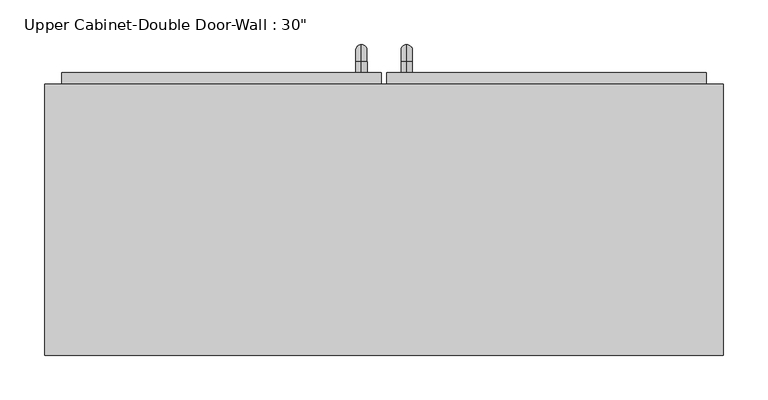
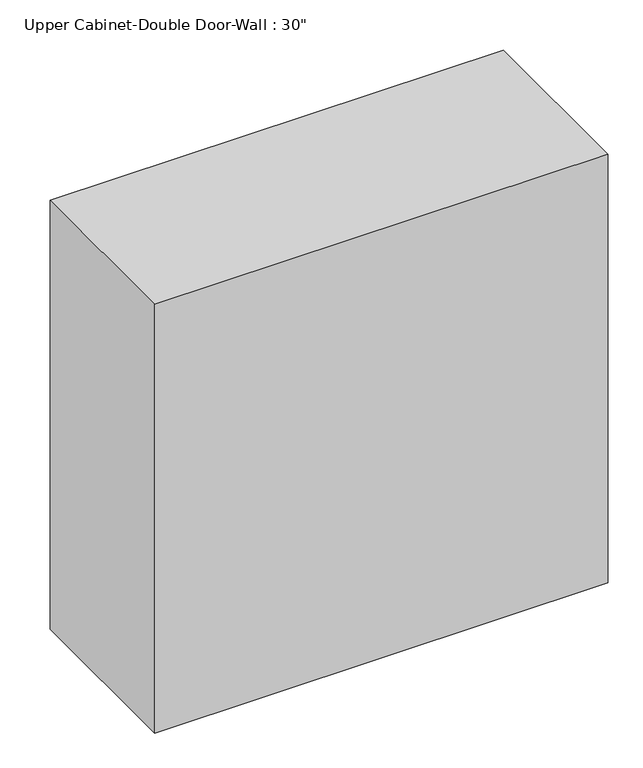
"""IFC4 building model written with IfcOpenShell, lengths in millimetres: furniture geometry."""

from ifc_helpers import new_model, si_unit, point, frame, origin, place, context, project, spatial, polyline, circle_curve, ellipse_curve, trimmed, outline, extrude, faceted_brep, source, transform, mapped, element, save
from ifc_brep_helpers import plane_surface, cylinder_surface, revolved_surface, advanced_brep


def furniture_e3b434a1(model_context):
    return source(origin(), model_context, "Body", "SolidModel", [
        faceted_brep([(-351.2288372, 101.6, 2133.6), (-351.2288372, 101.6, 1371.6), (410.7711628, 101.6, 1371.6), (410.7711628, 101.6, 2133.6), (-351.2288372, 406.4, 2133.6), (410.7711628, 406.4, 2133.6), (410.7711628, 406.4, 1371.6), (-351.2288372, 406.4, 1371.6), (-332.1788372, 406.4, 2114.55), (-332.1788372, 406.4, 1390.65), (391.7211628, 406.4, 1390.65), (391.7211628, 406.4, 2114.55), (391.7211628, 120.65, 2114.55), (-332.1788372, 120.65, 2114.55), (391.7211628, 120.65, 1390.65), (-332.1788372, 120.65, 1390.65)], [[[0, 1, 2, 3]], [[4, 5, 6, 7], [8, 9, 10, 11]], [[1, 0, 4, 7]], [[2, 1, 7, 6]], [[3, 2, 6, 5]], [[0, 3, 5, 4]], [[8, 11, 12, 13]], [[11, 10, 14, 12]], [[10, 9, 15, 14]], [[9, 8, 13, 15]], [[13, 12, 14, 15]]]),
        advanced_brep(
        [(55.1711628, 419.1, 1517.65), (55.1711628, 419.1, 1530.35), (55.1711628, 431.8, 1517.65), (55.1711628, 431.8, 1530.35), (55.1711628, 450.85, 1511.3), (55.1711628, 438.15, 1511.3), (55.1711628, 438.15, 1435.1), (55.1711628, 450.85, 1435.1), (55.1711628, 431.8, 1416.05), (55.1711628, 431.8, 1428.75), (55.1711628, 419.1, 1428.75), (55.1711628, 419.1, 1416.05)],
        [
            (0, 1, circle_curve(frame((55.1711628, 419.1, 1524.0), z_axis=(0.0, -1.0, 0.0), x_axis=(0.0, 0.0, -1.0)), 6.35)),
            (1, 0, circle_curve(frame((55.1711628, 419.1, 1524.0), z_axis=(0.0, -1.0, 0.0), x_axis=(0.0, 0.0, -1.0)), 6.35)),
            (0, 2),
            (2, 3, circle_curve(frame((55.1711628, 431.8, 1524.0), z_axis=(0.0, -1.0, 0.0), x_axis=(0.0, 0.0, -1.0)), 6.35)),
            (3, 1),
            (3, 2, circle_curve(frame((55.1711628, 431.8, 1524.0), z_axis=(0.0, -1.0, 0.0), x_axis=(0.0, 0.0, -1.0)), 6.35)),
            (4, 3, circle_curve(frame((55.1711628, 431.8, 1511.3), z_axis=(1.0, 0.0, 0.0), x_axis=(0.0, 0.0, 1.0)), 19.05)),
            (2, 5, circle_curve(frame((55.1711628, 431.8, 1511.3), z_axis=(-1.0, 0.0, 0.0), x_axis=(0.0, 0.0, 1.0)), 6.35)),
            (5, 4, circle_curve(frame((55.1711628, 444.5, 1511.3), z_axis=(0.0, 0.0, 1.0), x_axis=(0.0, -1.0, 0.0)), 6.35)),
            (4, 5, circle_curve(frame((55.1711628, 444.5, 1511.3), z_axis=(0.0, 0.0, 1.0), x_axis=(0.0, -1.0, 0.0)), 6.35)),
            (5, 6),
            (6, 7, circle_curve(frame((55.1711628, 444.5, 1435.1), z_axis=(0.0, 0.0, 1.0), x_axis=(0.0, -1.0, 0.0)), 6.35)),
            (7, 4),
            (7, 6, circle_curve(frame((55.1711628, 444.5, 1435.1), z_axis=(0.0, 0.0, 1.0), x_axis=(0.0, -1.0, 0.0)), 6.35)),
            (8, 7, circle_curve(frame((55.1711628, 431.8, 1435.1), z_axis=(1.0, 0.0, 0.0), x_axis=(0.0, 1.0, 0.0)), 19.05)),
            (6, 9, circle_curve(frame((55.1711628, 431.8, 1435.1), z_axis=(-1.0, 0.0, 0.0), x_axis=(0.0, 1.0, 0.0)), 6.35)),
            (9, 8, circle_curve(frame((55.1711628, 431.8, 1422.4), z_axis=(0.0, 1.0, 0.0), x_axis=(0.0, 0.0, 1.0)), 6.35)),
            (8, 9, circle_curve(frame((55.1711628, 431.8, 1422.4), z_axis=(0.0, 1.0, 0.0), x_axis=(0.0, 0.0, 1.0)), 6.35)),
            (10, 11, circle_curve(frame((55.1711628, 419.1, 1422.4), z_axis=(0.0, -1.0, 0.0), x_axis=(0.0, 0.0, 1.0)), 6.35)),
            (11, 10, circle_curve(frame((55.1711628, 419.1, 1422.4), z_axis=(0.0, -1.0, 0.0), x_axis=(0.0, 0.0, 1.0)), 6.35)),
            (9, 10),
            (11, 8),
        ],
        [
            plane_surface(frame((48.8211628, 419.1, 1524.0), z_axis=(0.0, -1.0, 0.0), x_axis=(0.0, 0.0, 1.0))),
            cylinder_surface(frame((55.1711628, 419.1, 1524.0), z_axis=(0.0, -1.0, 0.0), x_axis=(0.0, 0.0, -1.0)), 6.35),
            revolved_surface(trimmed(ellipse_curve(frame((55.1711628, 431.8, 1524.0), z_axis=(0.0, -1.0, 0.0), x_axis=(0.0, 0.0, -1.0)), 6.35, 6.35), [point((55.1711628, 431.8, 1517.65))], [point((55.1711628, 431.8, 1530.35))], True, "CARTESIAN"), (55.1711628, 431.8, 1511.3), (-1.0, 0.0, 0.0)),
            revolved_surface(trimmed(ellipse_curve(frame((55.1711628, 431.8, 1524.0), z_axis=(0.0, -1.0, 0.0), x_axis=(0.0, 0.0, -1.0)), 6.35, 6.35), [point((55.1711628, 431.8, 1530.35))], [point((55.1711628, 431.8, 1517.65))], True, "CARTESIAN"), (55.1711628, 431.8, 1511.3), (-1.0, 0.0, 0.0)),
            cylinder_surface(frame((55.1711628, 444.5, 1511.3), z_axis=(0.0, 0.0, 1.0), x_axis=(0.0, -1.0, 0.0)), 6.35),
            revolved_surface(trimmed(ellipse_curve(frame((55.1711628, 444.5, 1435.1), z_axis=(0.0, 0.0, 1.0), x_axis=(0.0, -1.0, 0.0)), 6.35, 6.35), [point((55.1711628, 438.15, 1435.1))], [point((55.1711628, 450.85, 1435.1))], True, "CARTESIAN"), (55.1711628, 431.8, 1435.1), (-1.0, 0.0, 0.0)),
            revolved_surface(trimmed(ellipse_curve(frame((55.1711628, 444.5, 1435.1), z_axis=(0.0, 0.0, 1.0), x_axis=(0.0, -1.0, 0.0)), 6.35, 6.35), [point((55.1711628, 450.85, 1435.1))], [point((55.1711628, 438.15, 1435.1))], True, "CARTESIAN"), (55.1711628, 431.8, 1435.1), (-1.0, 0.0, 0.0)),
            plane_surface(frame((48.8211628, 419.1, 1422.4), z_axis=(0.0, -1.0, 0.0), x_axis=(0.0, 0.0, -1.0))),
            cylinder_surface(frame((55.1711628, 431.8, 1422.4), z_axis=(0.0, 1.0, 0.0), x_axis=(0.0, 0.0, 1.0)), 6.35),
        ],
        [
            (0, [[1, 2]]),
            (1, [[-1, 3, 4, 5]]),
            (1, [[-2, -5, 6, -3]]),
            (2, [[7, -4, 8, 9]]),
            (3, [[-8, -6, -7, 10]]),
            (4, [[-9, 11, 12, 13]]),
            (4, [[-10, -13, 14, -11]]),
            (5, [[15, -12, 16, 17]]),
            (6, [[-16, -14, -15, 18]]),
            (7, [[19, 20]]),
            (8, [[-17, 21, -20, 22]]),
            (8, [[-18, -22, -19, -21]]),
        ],
    ),
        advanced_brep(
        [(4.3711628, 419.1, 1517.65), (4.3711628, 419.1, 1530.35), (4.3711628, 431.8, 1517.65), (4.3711628, 431.8, 1530.35), (4.3711628, 450.85, 1511.3), (4.3711628, 438.15, 1511.3), (4.3711628, 438.15, 1435.1), (4.3711628, 450.85, 1435.1), (4.3711628, 431.8, 1416.05), (4.3711628, 431.8, 1428.75), (4.3711628, 419.1, 1428.75), (4.3711628, 419.1, 1416.05)],
        [
            (0, 1, circle_curve(frame((4.3711628, 419.1, 1524.0), z_axis=(0.0, -1.0, 0.0), x_axis=(0.0, 0.0, 1.0)), 6.35)),
            (1, 0, circle_curve(frame((4.3711628, 419.1, 1524.0), z_axis=(0.0, -1.0, 0.0), x_axis=(0.0, 0.0, 1.0)), 6.35)),
            (0, 2),
            (2, 3, circle_curve(frame((4.3711628, 431.8, 1524.0), z_axis=(0.0, -1.0, 0.0), x_axis=(0.0, 0.0, 1.0)), 6.35)),
            (3, 1),
            (3, 2, circle_curve(frame((4.3711628, 431.8, 1524.0), z_axis=(0.0, -1.0, 0.0), x_axis=(0.0, 0.0, 1.0)), 6.35)),
            (4, 3, circle_curve(frame((4.3711628, 431.8, 1511.3), z_axis=(1.0, 0.0, 0.0), x_axis=(0.0, 0.0, 1.0)), 19.05)),
            (2, 5, circle_curve(frame((4.3711628, 431.8, 1511.3), z_axis=(-1.0, 0.0, 0.0), x_axis=(0.0, 0.0, 1.0)), 6.35)),
            (5, 4, circle_curve(frame((4.3711628, 444.5, 1511.3), z_axis=(0.0, 0.0, 1.0), x_axis=(0.0, 1.0, 0.0)), 6.35)),
            (4, 5, circle_curve(frame((4.3711628, 444.5, 1511.3), z_axis=(0.0, 0.0, 1.0), x_axis=(0.0, 1.0, 0.0)), 6.35)),
            (5, 6),
            (6, 7, circle_curve(frame((4.3711628, 444.5, 1435.1), z_axis=(0.0, 0.0, 1.0), x_axis=(0.0, 1.0, 0.0)), 6.35)),
            (7, 4),
            (7, 6, circle_curve(frame((4.3711628, 444.5, 1435.1), z_axis=(0.0, 0.0, 1.0), x_axis=(0.0, 1.0, 0.0)), 6.35)),
            (8, 7, circle_curve(frame((4.3711628, 431.8, 1435.1), z_axis=(1.0, 0.0, 0.0), x_axis=(0.0, 1.0, 0.0)), 19.05)),
            (6, 9, circle_curve(frame((4.3711628, 431.8, 1435.1), z_axis=(-1.0, 0.0, 0.0), x_axis=(0.0, 1.0, 0.0)), 6.35)),
            (9, 8, circle_curve(frame((4.3711628, 431.8, 1422.4), z_axis=(0.0, 1.0, 0.0), x_axis=(0.0, 0.0, -1.0)), 6.35)),
            (8, 9, circle_curve(frame((4.3711628, 431.8, 1422.4), z_axis=(0.0, 1.0, 0.0), x_axis=(0.0, 0.0, -1.0)), 6.35)),
            (10, 11, circle_curve(frame((4.3711628, 419.1, 1422.4), z_axis=(0.0, -1.0, 0.0), x_axis=(0.0, 0.0, -1.0)), 6.35)),
            (11, 10, circle_curve(frame((4.3711628, 419.1, 1422.4), z_axis=(0.0, -1.0, 0.0), x_axis=(0.0, 0.0, -1.0)), 6.35)),
            (9, 10),
            (11, 8),
        ],
        [
            plane_surface(frame((-1.9788372, 419.1, 1524.0), z_axis=(0.0, -1.0, 0.0), x_axis=(0.0, 0.0, 1.0))),
            cylinder_surface(frame((4.3711628, 419.1, 1524.0), z_axis=(0.0, -1.0, 0.0), x_axis=(0.0, 0.0, 1.0)), 6.35),
            revolved_surface(trimmed(ellipse_curve(frame((4.3711628, 431.8, 1524.0), z_axis=(0.0, -1.0, 0.0), x_axis=(0.0, 0.0, 1.0)), 6.35, 6.35), [point((4.3711628, 431.8, 1517.65))], [point((4.3711628, 431.8, 1530.35))], True, "CARTESIAN"), (4.3711628, 431.8, 1511.3), (-1.0, 0.0, 0.0)),
            revolved_surface(trimmed(ellipse_curve(frame((4.3711628, 431.8, 1524.0), z_axis=(0.0, -1.0, 0.0), x_axis=(0.0, 0.0, 1.0)), 6.35, 6.35), [point((4.3711628, 431.8, 1530.35))], [point((4.3711628, 431.8, 1517.65))], True, "CARTESIAN"), (4.3711628, 431.8, 1511.3), (-1.0, 0.0, 0.0)),
            cylinder_surface(frame((4.3711628, 444.5, 1511.3), z_axis=(0.0, 0.0, 1.0), x_axis=(0.0, 1.0, 0.0)), 6.35),
            revolved_surface(trimmed(ellipse_curve(frame((4.3711628, 444.5, 1435.1), z_axis=(0.0, 0.0, 1.0), x_axis=(0.0, 1.0, 0.0)), 6.35, 6.35), [point((4.3711628, 438.15, 1435.1))], [point((4.3711628, 450.85, 1435.1))], True, "CARTESIAN"), (4.3711628, 431.8, 1435.1), (-1.0, 0.0, 0.0)),
            revolved_surface(trimmed(ellipse_curve(frame((4.3711628, 444.5, 1435.1), z_axis=(0.0, 0.0, 1.0), x_axis=(0.0, 1.0, 0.0)), 6.35, 6.35), [point((4.3711628, 450.85, 1435.1))], [point((4.3711628, 438.15, 1435.1))], True, "CARTESIAN"), (4.3711628, 431.8, 1435.1), (-1.0, 0.0, 0.0)),
            plane_surface(frame((-1.9788372, 419.1, 1422.4), z_axis=(0.0, -1.0, 0.0), x_axis=(0.0, 0.0, -1.0))),
            cylinder_surface(frame((4.3711628, 431.8, 1422.4), z_axis=(0.0, 1.0, 0.0), x_axis=(0.0, 0.0, -1.0)), 6.35),
        ],
        [
            (0, [[1, 2]]),
            (1, [[-1, 3, 4, 5]]),
            (1, [[-2, -5, 6, -3]]),
            (2, [[7, -4, 8, 9]]),
            (3, [[-8, -6, -7, 10]]),
            (4, [[-9, 11, 12, 13]]),
            (4, [[-10, -13, 14, -11]]),
            (5, [[15, -12, 16, 17]]),
            (6, [[-16, -14, -15, 18]]),
            (7, [[19, 20]]),
            (8, [[-17, 21, -20, 22]]),
            (8, [[-18, -22, -19, -21]]),
        ],
    ),
        extrude(outline(polyline([(32.9461628, 419.1), (391.7211628, 419.1), (391.7211628, 387.35), (32.9461628, 387.35), (32.9461628, 419.1)])), frame((0.0, 0.0, 1390.65), z_axis=(0.0, 0.0, 1.0), x_axis=(1.0, 0.0, 0.0)), (0.0, 0.0, 1.0), 723.9),
        extrude(outline(polyline([(-332.1788372, 419.1), (26.5961628, 419.1), (26.5961628, 387.35), (-332.1788372, 387.35), (-332.1788372, 419.1)])), frame((0.0, 0.0, 1390.65), z_axis=(0.0, 0.0, 1.0), x_axis=(1.0, 0.0, 0.0)), (0.0, 0.0, 1.0), 723.9),
    ])


if __name__ == "__main__":
    model = new_model("IFC4")
    model_context = context("Model", 3, world=origin())
    ifc_project = project(units=[si_unit("LENGTHUNIT", "METRE", prefix="MILLI")], contexts=[model_context])
    site = spatial("IfcSite", under=ifc_project)
    building = spatial("IfcBuilding", under=site)
    placement = place(None, origin())
    furniture_shape = furniture_e3b434a1(model_context)
    element("IfcFurniture", 1, ObjectType="Upper Cabinet-Double Door-Wall : 30\"", at=placement, inside=building, context=model_context, shape_type="MappedRepresentation", body=[
        mapped(furniture_shape, transform((0.0, 0.0, 0.0), x_axis=(1.0, 0.0, 0.0), y_axis=(0.0, 1.0, 0.0), z_axis=(0.0, 0.0, 1.0))),
    ])
    save(model, "model.ifc")
